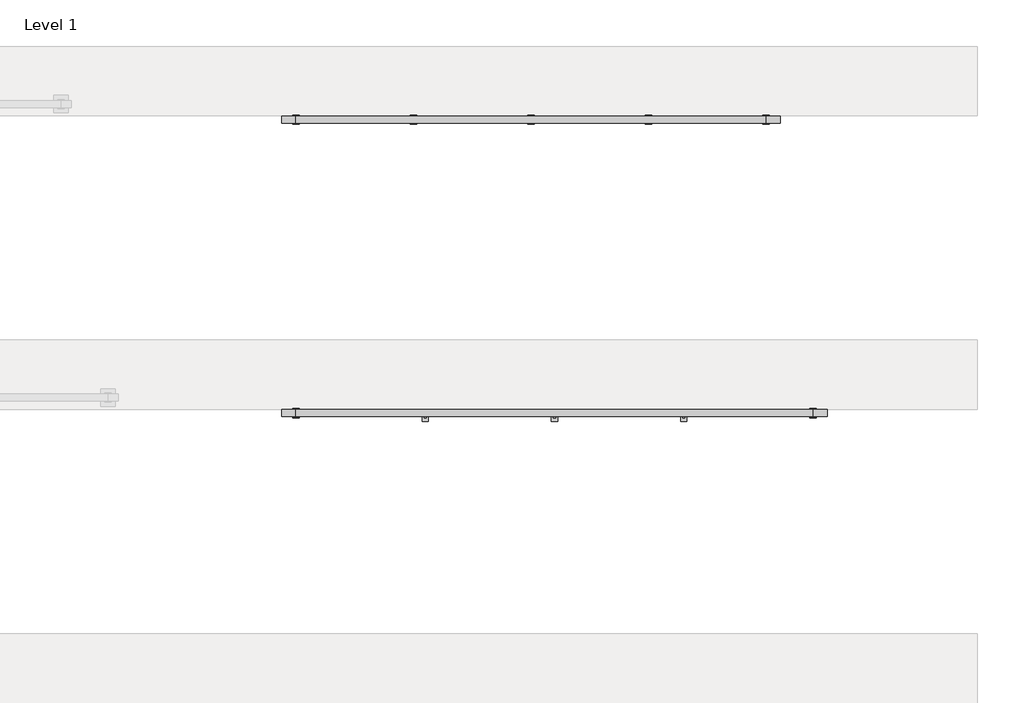
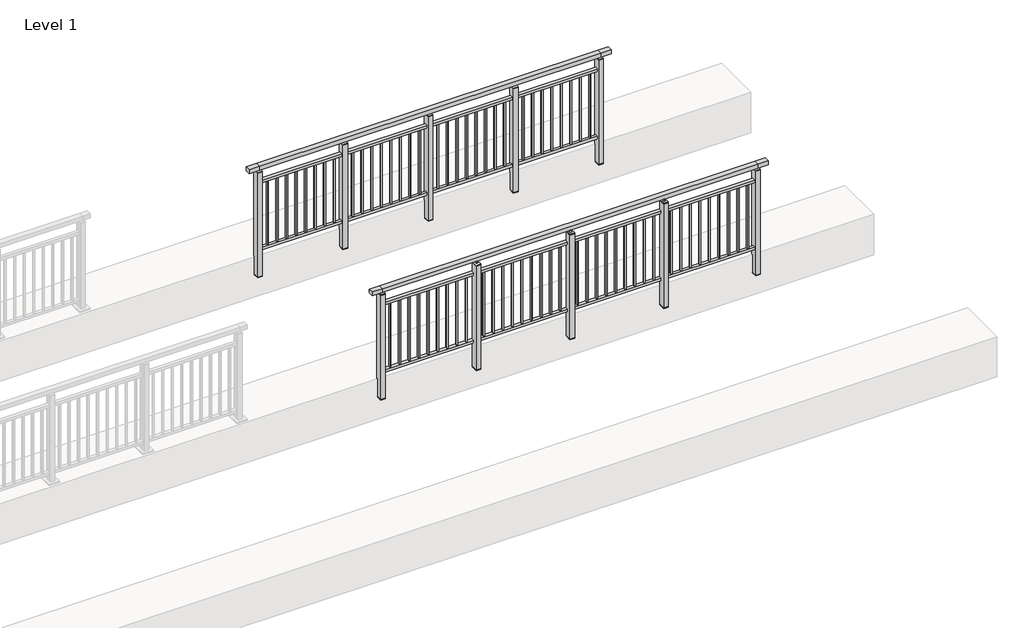
# One storey, part 7 of 38: 2 railings.
"""IFC4 building model written with IfcOpenShell, lengths in millimetres."""

from ifc_helpers import new_model, si_unit, frame, origin, place, context, project, spatial, polyline, outline, extrude, faceted_brep, element, save

model = new_model("IFC4")

# Units and contexts
model_context = context("Model", 3, world=origin())
ifc_project = project(units=[si_unit("LENGTHUNIT", "METRE", prefix="MILLI")], contexts=[model_context])

# Site, building, storey
site = spatial("IfcSite", under=ifc_project)
building = spatial("IfcBuilding", under=site)
storey = spatial("IfcBuildingStorey", under=building, Name="Level 1", Elevation=0.0)

# Railings
placement = place(None, origin())
element("IfcRailing", 1, at=placement, inside=storey, context=model_context, shape_type="SolidModel", body=[
    faceted_brep([(12000.0, 4897.6846828, 1102.5), (12000.0, 4897.6846828, 1150.0), (16400.0, 4897.6846828, 1150.0), (16400.0, 4897.6846828, 1102.5), (12000.0, 4837.6846828, 1102.5), (16400.0, 4837.6846828, 1102.5), (12000.0, 4837.6846828, 1150.0), (16400.0, 4837.6846828, 1150.0), (11877.0, 4897.6846828, 1150.0), (11877.0, 4897.6846828, 1102.5), (11877.0, 4837.6846828, 1102.5), (11877.0, 4837.6846828, 1150.0), (16523.0, 4897.6846828, 1150.0), (16523.0, 4837.6846828, 1150.0), (16523.0, 4837.6846828, 1102.5), (16523.0, 4897.6846828, 1102.5)], [[[0, 1, 2, 3]], [[4, 0, 3, 5]], [[6, 4, 5, 7]], [[1, 6, 7, 2]], [[8, 9, 10, 11]], [[9, 8, 1, 0]], [[10, 9, 0, 4]], [[11, 10, 4, 6]], [[8, 11, 6, 1]], [[12, 13, 14, 15]], [[3, 2, 12, 15]], [[5, 3, 15, 14]], [[7, 5, 14, 13]], [[2, 7, 13, 12]]]),
    extrude(outline(polyline([(12000.0, 4849.6846828), (12000.0, 4885.6846828), (16400.0, 4885.6846828), (16400.0, 4849.6846828), (12000.0, 4849.6846828)])), frame((0.0, 0.0, 928.0), z_axis=(0.0, 0.0, 1.0), x_axis=(1.0, 0.0, 0.0)), (0.0, 0.0, 1.0), 32.0),
    extrude(outline(polyline([(12000.0, 4849.6846828), (12000.0, 4885.6846828), (16400.0, 4885.6846828), (16400.0, 4849.6846828), (12000.0, 4849.6846828)])), frame((0.0, 0.0, 93.0), z_axis=(0.0, 0.0, 1.0), x_axis=(1.0, 0.0, 0.0)), (0.0, 0.0, 1.0), 32.0),
    extrude(outline(polyline([(16306.5, 4859.1846828), (16289.5, 4859.1846828), (16289.5, 4876.1846828), (16306.5, 4876.1846828), (16306.5, 4859.1846828)])), frame((0.0, 0.0, 125.0), z_axis=(0.0, 0.0, 1.0), x_axis=(1.0, 0.0, 0.0)), (0.0, 0.0, 1.0), 803.0),
    extrude(outline(polyline([(16194.5, 4859.1846828), (16177.5, 4859.1846828), (16177.5, 4876.1846828), (16194.5, 4876.1846828), (16194.5, 4859.1846828)])), frame((0.0, 0.0, 125.0), z_axis=(0.0, 0.0, 1.0), x_axis=(1.0, 0.0, 0.0)), (0.0, 0.0, 1.0), 803.0),
    extrude(outline(polyline([(16082.5, 4859.1846828), (16065.5, 4859.1846828), (16065.5, 4876.1846828), (16082.5, 4876.1846828), (16082.5, 4859.1846828)])), frame((0.0, 0.0, 125.0), z_axis=(0.0, 0.0, 1.0), x_axis=(1.0, 0.0, 0.0)), (0.0, 0.0, 1.0), 803.0),
    extrude(outline(polyline([(15970.5, 4859.1846828), (15953.5, 4859.1846828), (15953.5, 4876.1846828), (15970.5, 4876.1846828), (15970.5, 4859.1846828)])), frame((0.0, 0.0, 125.0), z_axis=(0.0, 0.0, 1.0), x_axis=(1.0, 0.0, 0.0)), (0.0, 0.0, 1.0), 803.0),
    extrude(outline(polyline([(15858.5, 4859.1846828), (15841.5, 4859.1846828), (15841.5, 4876.1846828), (15858.5, 4876.1846828), (15858.5, 4859.1846828)])), frame((0.0, 0.0, 125.0), z_axis=(0.0, 0.0, 1.0), x_axis=(1.0, 0.0, 0.0)), (0.0, 0.0, 1.0), 803.0),
    extrude(outline(polyline([(15746.5, 4859.1846828), (15729.5, 4859.1846828), (15729.5, 4876.1846828), (15746.5, 4876.1846828), (15746.5, 4859.1846828)])), frame((0.0, 0.0, 125.0), z_axis=(0.0, 0.0, 1.0), x_axis=(1.0, 0.0, 0.0)), (0.0, 0.0, 1.0), 803.0),
    extrude(outline(polyline([(15634.5, 4859.1846828), (15617.5, 4859.1846828), (15617.5, 4876.1846828), (15634.5, 4876.1846828), (15634.5, 4859.1846828)])), frame((0.0, 0.0, 125.0), z_axis=(0.0, 0.0, 1.0), x_axis=(1.0, 0.0, 0.0)), (0.0, 0.0, 1.0), 803.0),
    extrude(outline(polyline([(15522.5, 4859.1846828), (15505.5, 4859.1846828), (15505.5, 4876.1846828), (15522.5, 4876.1846828), (15522.5, 4859.1846828)])), frame((0.0, 0.0, 125.0), z_axis=(0.0, 0.0, 1.0), x_axis=(1.0, 0.0, 0.0)), (0.0, 0.0, 1.0), 803.0),
    extrude(outline(polyline([(15410.5, 4859.1846828), (15393.5, 4859.1846828), (15393.5, 4876.1846828), (15410.5, 4876.1846828), (15410.5, 4859.1846828)])), frame((0.0, 0.0, 125.0), z_axis=(0.0, 0.0, 1.0), x_axis=(1.0, 0.0, 0.0)), (0.0, 0.0, 1.0), 803.0),
    extrude(outline(polyline([(15327.0, 4873.6846828), (15327.0, 4795.6846828), (15273.0, 4795.6846828), (15273.0, 4873.6846828), (15327.0, 4873.6846828)])), frame((0.0, 0.0, 1077.0), z_axis=(0.0, 0.0, 1.0), x_axis=(1.0, 0.0, 0.0)), (0.0, 0.0, 1.0), 8.0),
    extrude(outline(polyline([(15327.0, 4873.6846828), (15327.0, 4795.6846828), (15273.0, 4795.6846828), (15273.0, 4873.6846828), (15327.0, 4873.6846828)])), frame((0.0, 0.0, -212.0), z_axis=(0.0, 0.0, 1.0), x_axis=(1.0, 0.0, 0.0)), (0.0, 0.0, 1.0), 1289.0),
    extrude(outline(polyline([(15310.0, 4844.6846828), (15310.0, 4824.6846828), (15290.0, 4824.6846828), (15290.0, 4844.6846828), (15310.0, 4844.6846828)])), frame((0.0, 0.0, 1085.0), z_axis=(0.0, 0.0, 1.0), x_axis=(1.0, 0.0, 0.0)), (0.0, 0.0, 1.0), 20.0),
    extrude(outline(polyline([(15327.0, 4873.6846828), (15327.0, 4795.6846828), (15273.0, 4795.6846828), (15273.0, 4873.6846828), (15327.0, 4873.6846828)])), frame((0.0, 0.0, -220.0), z_axis=(0.0, 0.0, 1.0), x_axis=(1.0, 0.0, 0.0)), (0.0, 0.0, 1.0), 8.0),
    extrude(outline(polyline([(15206.5, 4859.1846828), (15189.5, 4859.1846828), (15189.5, 4876.1846828), (15206.5, 4876.1846828), (15206.5, 4859.1846828)])), frame((0.0, 0.0, 125.0), z_axis=(0.0, 0.0, 1.0), x_axis=(1.0, 0.0, 0.0)), (0.0, 0.0, 1.0), 803.0),
    extrude(outline(polyline([(15094.5, 4859.1846828), (15077.5, 4859.1846828), (15077.5, 4876.1846828), (15094.5, 4876.1846828), (15094.5, 4859.1846828)])), frame((0.0, 0.0, 125.0), z_axis=(0.0, 0.0, 1.0), x_axis=(1.0, 0.0, 0.0)), (0.0, 0.0, 1.0), 803.0),
    extrude(outline(polyline([(14982.5, 4859.1846828), (14965.5, 4859.1846828), (14965.5, 4876.1846828), (14982.5, 4876.1846828), (14982.5, 4859.1846828)])), frame((0.0, 0.0, 125.0), z_axis=(0.0, 0.0, 1.0), x_axis=(1.0, 0.0, 0.0)), (0.0, 0.0, 1.0), 803.0),
    extrude(outline(polyline([(14870.5, 4859.1846828), (14853.5, 4859.1846828), (14853.5, 4876.1846828), (14870.5, 4876.1846828), (14870.5, 4859.1846828)])), frame((0.0, 0.0, 125.0), z_axis=(0.0, 0.0, 1.0), x_axis=(1.0, 0.0, 0.0)), (0.0, 0.0, 1.0), 803.0),
    extrude(outline(polyline([(14758.5, 4859.1846828), (14741.5, 4859.1846828), (14741.5, 4876.1846828), (14758.5, 4876.1846828), (14758.5, 4859.1846828)])), frame((0.0, 0.0, 125.0), z_axis=(0.0, 0.0, 1.0), x_axis=(1.0, 0.0, 0.0)), (0.0, 0.0, 1.0), 803.0),
    extrude(outline(polyline([(14646.5, 4859.1846828), (14629.5, 4859.1846828), (14629.5, 4876.1846828), (14646.5, 4876.1846828), (14646.5, 4859.1846828)])), frame((0.0, 0.0, 125.0), z_axis=(0.0, 0.0, 1.0), x_axis=(1.0, 0.0, 0.0)), (0.0, 0.0, 1.0), 803.0),
    extrude(outline(polyline([(14534.5, 4859.1846828), (14517.5, 4859.1846828), (14517.5, 4876.1846828), (14534.5, 4876.1846828), (14534.5, 4859.1846828)])), frame((0.0, 0.0, 125.0), z_axis=(0.0, 0.0, 1.0), x_axis=(1.0, 0.0, 0.0)), (0.0, 0.0, 1.0), 803.0),
    extrude(outline(polyline([(14422.5, 4859.1846828), (14405.5, 4859.1846828), (14405.5, 4876.1846828), (14422.5, 4876.1846828), (14422.5, 4859.1846828)])), frame((0.0, 0.0, 125.0), z_axis=(0.0, 0.0, 1.0), x_axis=(1.0, 0.0, 0.0)), (0.0, 0.0, 1.0), 803.0),
    extrude(outline(polyline([(14310.5, 4859.1846828), (14293.5, 4859.1846828), (14293.5, 4876.1846828), (14310.5, 4876.1846828), (14310.5, 4859.1846828)])), frame((0.0, 0.0, 125.0), z_axis=(0.0, 0.0, 1.0), x_axis=(1.0, 0.0, 0.0)), (0.0, 0.0, 1.0), 803.0),
    extrude(outline(polyline([(14227.0, 4873.6846828), (14227.0, 4795.6846828), (14173.0, 4795.6846828), (14173.0, 4873.6846828), (14227.0, 4873.6846828)])), frame((0.0, 0.0, 1077.0), z_axis=(0.0, 0.0, 1.0), x_axis=(1.0, 0.0, 0.0)), (0.0, 0.0, 1.0), 8.0),
    extrude(outline(polyline([(14227.0, 4873.6846828), (14227.0, 4795.6846828), (14173.0, 4795.6846828), (14173.0, 4873.6846828), (14227.0, 4873.6846828)])), frame((0.0, 0.0, -212.0), z_axis=(0.0, 0.0, 1.0), x_axis=(1.0, 0.0, 0.0)), (0.0, 0.0, 1.0), 1289.0),
    extrude(outline(polyline([(14210.0, 4844.6846828), (14210.0, 4824.6846828), (14190.0, 4824.6846828), (14190.0, 4844.6846828), (14210.0, 4844.6846828)])), frame((0.0, 0.0, 1085.0), z_axis=(0.0, 0.0, 1.0), x_axis=(1.0, 0.0, 0.0)), (0.0, 0.0, 1.0), 20.0),
    extrude(outline(polyline([(14227.0, 4873.6846828), (14227.0, 4795.6846828), (14173.0, 4795.6846828), (14173.0, 4873.6846828), (14227.0, 4873.6846828)])), frame((0.0, 0.0, -220.0), z_axis=(0.0, 0.0, 1.0), x_axis=(1.0, 0.0, 0.0)), (0.0, 0.0, 1.0), 8.0),
    extrude(outline(polyline([(14106.5, 4859.1846828), (14089.5, 4859.1846828), (14089.5, 4876.1846828), (14106.5, 4876.1846828), (14106.5, 4859.1846828)])), frame((0.0, 0.0, 125.0), z_axis=(0.0, 0.0, 1.0), x_axis=(1.0, 0.0, 0.0)), (0.0, 0.0, 1.0), 803.0),
    extrude(outline(polyline([(13994.5, 4859.1846828), (13977.5, 4859.1846828), (13977.5, 4876.1846828), (13994.5, 4876.1846828), (13994.5, 4859.1846828)])), frame((0.0, 0.0, 125.0), z_axis=(0.0, 0.0, 1.0), x_axis=(1.0, 0.0, 0.0)), (0.0, 0.0, 1.0), 803.0),
    extrude(outline(polyline([(13882.5, 4859.1846828), (13865.5, 4859.1846828), (13865.5, 4876.1846828), (13882.5, 4876.1846828), (13882.5, 4859.1846828)])), frame((0.0, 0.0, 125.0), z_axis=(0.0, 0.0, 1.0), x_axis=(1.0, 0.0, 0.0)), (0.0, 0.0, 1.0), 803.0),
    extrude(outline(polyline([(13770.5, 4859.1846828), (13753.5, 4859.1846828), (13753.5, 4876.1846828), (13770.5, 4876.1846828), (13770.5, 4859.1846828)])), frame((0.0, 0.0, 125.0), z_axis=(0.0, 0.0, 1.0), x_axis=(1.0, 0.0, 0.0)), (0.0, 0.0, 1.0), 803.0),
    extrude(outline(polyline([(13658.5, 4859.1846828), (13641.5, 4859.1846828), (13641.5, 4876.1846828), (13658.5, 4876.1846828), (13658.5, 4859.1846828)])), frame((0.0, 0.0, 125.0), z_axis=(0.0, 0.0, 1.0), x_axis=(1.0, 0.0, 0.0)), (0.0, 0.0, 1.0), 803.0),
    extrude(outline(polyline([(13546.5, 4859.1846828), (13529.5, 4859.1846828), (13529.5, 4876.1846828), (13546.5, 4876.1846828), (13546.5, 4859.1846828)])), frame((0.0, 0.0, 125.0), z_axis=(0.0, 0.0, 1.0), x_axis=(1.0, 0.0, 0.0)), (0.0, 0.0, 1.0), 803.0),
    extrude(outline(polyline([(13434.5, 4859.1846828), (13417.5, 4859.1846828), (13417.5, 4876.1846828), (13434.5, 4876.1846828), (13434.5, 4859.1846828)])), frame((0.0, 0.0, 125.0), z_axis=(0.0, 0.0, 1.0), x_axis=(1.0, 0.0, 0.0)), (0.0, 0.0, 1.0), 803.0),
    extrude(outline(polyline([(13322.5, 4859.1846828), (13305.5, 4859.1846828), (13305.5, 4876.1846828), (13322.5, 4876.1846828), (13322.5, 4859.1846828)])), frame((0.0, 0.0, 125.0), z_axis=(0.0, 0.0, 1.0), x_axis=(1.0, 0.0, 0.0)), (0.0, 0.0, 1.0), 803.0),
    extrude(outline(polyline([(13210.5, 4859.1846828), (13193.5, 4859.1846828), (13193.5, 4876.1846828), (13210.5, 4876.1846828), (13210.5, 4859.1846828)])), frame((0.0, 0.0, 125.0), z_axis=(0.0, 0.0, 1.0), x_axis=(1.0, 0.0, 0.0)), (0.0, 0.0, 1.0), 803.0),
    extrude(outline(polyline([(13127.0, 4873.6846828), (13127.0, 4795.6846828), (13073.0, 4795.6846828), (13073.0, 4873.6846828), (13127.0, 4873.6846828)])), frame((0.0, 0.0, 1077.0), z_axis=(0.0, 0.0, 1.0), x_axis=(1.0, 0.0, 0.0)), (0.0, 0.0, 1.0), 8.0),
    extrude(outline(polyline([(13127.0, 4873.6846828), (13127.0, 4795.6846828), (13073.0, 4795.6846828), (13073.0, 4873.6846828), (13127.0, 4873.6846828)])), frame((0.0, 0.0, -212.0), z_axis=(0.0, 0.0, 1.0), x_axis=(1.0, 0.0, 0.0)), (0.0, 0.0, 1.0), 1289.0),
    extrude(outline(polyline([(13110.0, 4844.6846828), (13110.0, 4824.6846828), (13090.0, 4824.6846828), (13090.0, 4844.6846828), (13110.0, 4844.6846828)])), frame((0.0, 0.0, 1085.0), z_axis=(0.0, 0.0, 1.0), x_axis=(1.0, 0.0, 0.0)), (0.0, 0.0, 1.0), 20.0),
    extrude(outline(polyline([(13127.0, 4873.6846828), (13127.0, 4795.6846828), (13073.0, 4795.6846828), (13073.0, 4873.6846828), (13127.0, 4873.6846828)])), frame((0.0, 0.0, -220.0), z_axis=(0.0, 0.0, 1.0), x_axis=(1.0, 0.0, 0.0)), (0.0, 0.0, 1.0), 8.0),
    extrude(outline(polyline([(13006.5, 4859.1846828), (12989.5, 4859.1846828), (12989.5, 4876.1846828), (13006.5, 4876.1846828), (13006.5, 4859.1846828)])), frame((0.0, 0.0, 125.0), z_axis=(0.0, 0.0, 1.0), x_axis=(1.0, 0.0, 0.0)), (0.0, 0.0, 1.0), 803.0),
    extrude(outline(polyline([(12894.5, 4859.1846828), (12877.5, 4859.1846828), (12877.5, 4876.1846828), (12894.5, 4876.1846828), (12894.5, 4859.1846828)])), frame((0.0, 0.0, 125.0), z_axis=(0.0, 0.0, 1.0), x_axis=(1.0, 0.0, 0.0)), (0.0, 0.0, 1.0), 803.0),
    extrude(outline(polyline([(12782.5, 4859.1846828), (12765.5, 4859.1846828), (12765.5, 4876.1846828), (12782.5, 4876.1846828), (12782.5, 4859.1846828)])), frame((0.0, 0.0, 125.0), z_axis=(0.0, 0.0, 1.0), x_axis=(1.0, 0.0, 0.0)), (0.0, 0.0, 1.0), 803.0),
    extrude(outline(polyline([(12670.5, 4859.1846828), (12653.5, 4859.1846828), (12653.5, 4876.1846828), (12670.5, 4876.1846828), (12670.5, 4859.1846828)])), frame((0.0, 0.0, 125.0), z_axis=(0.0, 0.0, 1.0), x_axis=(1.0, 0.0, 0.0)), (0.0, 0.0, 1.0), 803.0),
    extrude(outline(polyline([(12558.5, 4859.1846828), (12541.5, 4859.1846828), (12541.5, 4876.1846828), (12558.5, 4876.1846828), (12558.5, 4859.1846828)])), frame((0.0, 0.0, 125.0), z_axis=(0.0, 0.0, 1.0), x_axis=(1.0, 0.0, 0.0)), (0.0, 0.0, 1.0), 803.0),
    extrude(outline(polyline([(12446.5, 4859.1846828), (12429.5, 4859.1846828), (12429.5, 4876.1846828), (12446.5, 4876.1846828), (12446.5, 4859.1846828)])), frame((0.0, 0.0, 125.0), z_axis=(0.0, 0.0, 1.0), x_axis=(1.0, 0.0, 0.0)), (0.0, 0.0, 1.0), 803.0),
    extrude(outline(polyline([(12334.5, 4859.1846828), (12317.5, 4859.1846828), (12317.5, 4876.1846828), (12334.5, 4876.1846828), (12334.5, 4859.1846828)])), frame((0.0, 0.0, 125.0), z_axis=(0.0, 0.0, 1.0), x_axis=(1.0, 0.0, 0.0)), (0.0, 0.0, 1.0), 803.0),
    extrude(outline(polyline([(12222.5, 4859.1846828), (12205.5, 4859.1846828), (12205.5, 4876.1846828), (12222.5, 4876.1846828), (12222.5, 4859.1846828)])), frame((0.0, 0.0, 125.0), z_axis=(0.0, 0.0, 1.0), x_axis=(1.0, 0.0, 0.0)), (0.0, 0.0, 1.0), 803.0),
    extrude(outline(polyline([(12110.5, 4859.1846828), (12093.5, 4859.1846828), (12093.5, 4876.1846828), (12110.5, 4876.1846828), (12110.5, 4859.1846828)])), frame((0.0, 0.0, 125.0), z_axis=(0.0, 0.0, 1.0), x_axis=(1.0, 0.0, 0.0)), (0.0, 0.0, 1.0), 803.0),
    extrude(outline(polyline([(16427.0, 4906.6846828), (16427.0, 4828.6846828), (16373.0, 4828.6846828), (16373.0, 4906.6846828), (16427.0, 4906.6846828)])), frame((0.0, 0.0, 1077.0), z_axis=(0.0, 0.0, 1.0), x_axis=(1.0, 0.0, 0.0)), (0.0, 0.0, 1.0), 8.0),
    extrude(outline(polyline([(16427.0, 4906.6846828), (16427.0, 4828.6846828), (16373.0, 4828.6846828), (16373.0, 4906.6846828), (16427.0, 4906.6846828)])), frame((0.0, 0.0, -212.0), z_axis=(0.0, 0.0, 1.0), x_axis=(1.0, 0.0, 0.0)), (0.0, 0.0, 1.0), 1289.0),
    extrude(outline(polyline([(16410.0, 4877.6846828), (16410.0, 4857.6846828), (16390.0, 4857.6846828), (16390.0, 4877.6846828), (16410.0, 4877.6846828)])), frame((0.0, 0.0, 1085.0), z_axis=(0.0, 0.0, 1.0), x_axis=(1.0, 0.0, 0.0)), (0.0, 0.0, 1.0), 20.0),
    extrude(outline(polyline([(16427.0, 4906.6846828), (16427.0, 4828.6846828), (16373.0, 4828.6846828), (16373.0, 4906.6846828), (16427.0, 4906.6846828)])), frame((0.0, 0.0, -220.0), z_axis=(0.0, 0.0, 1.0), x_axis=(1.0, 0.0, 0.0)), (0.0, 0.0, 1.0), 8.0),
    extrude(outline(polyline([(12027.0, 4906.6846828), (12027.0, 4828.6846828), (11973.0, 4828.6846828), (11973.0, 4906.6846828), (12027.0, 4906.6846828)])), frame((0.0, 0.0, 1077.0), z_axis=(0.0, 0.0, 1.0), x_axis=(1.0, 0.0, 0.0)), (0.0, 0.0, 1.0), 8.0),
    extrude(outline(polyline([(12027.0, 4906.6846828), (12027.0, 4828.6846828), (11973.0, 4828.6846828), (11973.0, 4906.6846828), (12027.0, 4906.6846828)])), frame((0.0, 0.0, -212.0), z_axis=(0.0, 0.0, 1.0), x_axis=(1.0, 0.0, 0.0)), (0.0, 0.0, 1.0), 1289.0),
    extrude(outline(polyline([(12010.0, 4877.6846828), (12010.0, 4857.6846828), (11990.0, 4857.6846828), (11990.0, 4877.6846828), (12010.0, 4877.6846828)])), frame((0.0, 0.0, 1085.0), z_axis=(0.0, 0.0, 1.0), x_axis=(1.0, 0.0, 0.0)), (0.0, 0.0, 1.0), 20.0),
    extrude(outline(polyline([(12027.0, 4906.6846828), (12027.0, 4828.6846828), (11973.0, 4828.6846828), (11973.0, 4906.6846828), (12027.0, 4906.6846828)])), frame((0.0, 0.0, -220.0), z_axis=(0.0, 0.0, 1.0), x_axis=(1.0, 0.0, 0.0)), (0.0, 0.0, 1.0), 8.0),
])
element("IfcRailing", 2, at=placement, inside=storey, context=model_context, shape_type="SolidModel", body=[
    faceted_brep([(12000.0, 7397.6846828, 1102.5), (12000.0, 7397.6846828, 1150.0), (16000.0, 7397.6846828, 1150.0), (16000.0, 7397.6846828, 1102.5), (12000.0, 7337.6846828, 1102.5), (16000.0, 7337.6846828, 1102.5), (12000.0, 7337.6846828, 1150.0), (16000.0, 7337.6846828, 1150.0), (11877.0, 7397.6846828, 1150.0), (11877.0, 7397.6846828, 1102.5), (11877.0, 7337.6846828, 1102.5), (11877.0, 7337.6846828, 1150.0), (16123.0, 7397.6846828, 1150.0), (16123.0, 7337.6846828, 1150.0), (16123.0, 7337.6846828, 1102.5), (16123.0, 7397.6846828, 1102.5)], [[[0, 1, 2, 3]], [[4, 0, 3, 5]], [[6, 4, 5, 7]], [[1, 6, 7, 2]], [[8, 9, 10, 11]], [[9, 8, 1, 0]], [[10, 9, 0, 4]], [[11, 10, 4, 6]], [[8, 11, 6, 1]], [[12, 13, 14, 15]], [[3, 2, 12, 15]], [[5, 3, 15, 14]], [[7, 5, 14, 13]], [[2, 7, 13, 12]]]),
    extrude(outline(polyline([(12000.0, 7349.6846828), (12000.0, 7385.6846828), (16000.0, 7385.6846828), (16000.0, 7349.6846828), (12000.0, 7349.6846828)])), frame((0.0, 0.0, 928.0), z_axis=(0.0, 0.0, 1.0), x_axis=(1.0, 0.0, 0.0)), (0.0, 0.0, 1.0), 32.0),
    extrude(outline(polyline([(12000.0, 7349.6846828), (12000.0, 7385.6846828), (16000.0, 7385.6846828), (16000.0, 7349.6846828), (12000.0, 7349.6846828)])), frame((0.0, 0.0, 93.0), z_axis=(0.0, 0.0, 1.0), x_axis=(1.0, 0.0, 0.0)), (0.0, 0.0, 1.0), 32.0),
    extrude(outline(polyline([(15900.5, 7359.1846828), (15883.5, 7359.1846828), (15883.5, 7376.1846828), (15900.5, 7376.1846828), (15900.5, 7359.1846828)])), frame((0.0, 0.0, 125.0), z_axis=(0.0, 0.0, 1.0), x_axis=(1.0, 0.0, 0.0)), (0.0, 0.0, 1.0), 803.0),
    extrude(outline(polyline([(15788.5, 7359.1846828), (15771.5, 7359.1846828), (15771.5, 7376.1846828), (15788.5, 7376.1846828), (15788.5, 7359.1846828)])), frame((0.0, 0.0, 125.0), z_axis=(0.0, 0.0, 1.0), x_axis=(1.0, 0.0, 0.0)), (0.0, 0.0, 1.0), 803.0),
    extrude(outline(polyline([(15676.5, 7359.1846828), (15659.5, 7359.1846828), (15659.5, 7376.1846828), (15676.5, 7376.1846828), (15676.5, 7359.1846828)])), frame((0.0, 0.0, 125.0), z_axis=(0.0, 0.0, 1.0), x_axis=(1.0, 0.0, 0.0)), (0.0, 0.0, 1.0), 803.0),
    extrude(outline(polyline([(15564.5, 7359.1846828), (15547.5, 7359.1846828), (15547.5, 7376.1846828), (15564.5, 7376.1846828), (15564.5, 7359.1846828)])), frame((0.0, 0.0, 125.0), z_axis=(0.0, 0.0, 1.0), x_axis=(1.0, 0.0, 0.0)), (0.0, 0.0, 1.0), 803.0),
    extrude(outline(polyline([(15452.5, 7359.1846828), (15435.5, 7359.1846828), (15435.5, 7376.1846828), (15452.5, 7376.1846828), (15452.5, 7359.1846828)])), frame((0.0, 0.0, 125.0), z_axis=(0.0, 0.0, 1.0), x_axis=(1.0, 0.0, 0.0)), (0.0, 0.0, 1.0), 803.0),
    extrude(outline(polyline([(15340.5, 7359.1846828), (15323.5, 7359.1846828), (15323.5, 7376.1846828), (15340.5, 7376.1846828), (15340.5, 7359.1846828)])), frame((0.0, 0.0, 125.0), z_axis=(0.0, 0.0, 1.0), x_axis=(1.0, 0.0, 0.0)), (0.0, 0.0, 1.0), 803.0),
    extrude(outline(polyline([(15228.5, 7359.1846828), (15211.5, 7359.1846828), (15211.5, 7376.1846828), (15228.5, 7376.1846828), (15228.5, 7359.1846828)])), frame((0.0, 0.0, 125.0), z_axis=(0.0, 0.0, 1.0), x_axis=(1.0, 0.0, 0.0)), (0.0, 0.0, 1.0), 803.0),
    extrude(outline(polyline([(15116.5, 7359.1846828), (15099.5, 7359.1846828), (15099.5, 7376.1846828), (15116.5, 7376.1846828), (15116.5, 7359.1846828)])), frame((0.0, 0.0, 125.0), z_axis=(0.0, 0.0, 1.0), x_axis=(1.0, 0.0, 0.0)), (0.0, 0.0, 1.0), 803.0),
    extrude(outline(polyline([(15027.0, 7406.6846828), (15027.0, 7328.6846828), (14973.0, 7328.6846828), (14973.0, 7406.6846828), (15027.0, 7406.6846828)])), frame((0.0, 0.0, 1077.0), z_axis=(0.0, 0.0, 1.0), x_axis=(1.0, 0.0, 0.0)), (0.0, 0.0, 1.0), 8.0),
    extrude(outline(polyline([(15027.0, 7406.6846828), (15027.0, 7328.6846828), (14973.0, 7328.6846828), (14973.0, 7406.6846828), (15027.0, 7406.6846828)])), frame((0.0, 0.0, -212.0), z_axis=(0.0, 0.0, 1.0), x_axis=(1.0, 0.0, 0.0)), (0.0, 0.0, 1.0), 1289.0),
    extrude(outline(polyline([(15010.0, 7377.6846828), (15010.0, 7357.6846828), (14990.0, 7357.6846828), (14990.0, 7377.6846828), (15010.0, 7377.6846828)])), frame((0.0, 0.0, 1085.0), z_axis=(0.0, 0.0, 1.0), x_axis=(1.0, 0.0, 0.0)), (0.0, 0.0, 1.0), 20.0),
    extrude(outline(polyline([(15027.0, 7406.6846828), (15027.0, 7328.6846828), (14973.0, 7328.6846828), (14973.0, 7406.6846828), (15027.0, 7406.6846828)])), frame((0.0, 0.0, -220.0), z_axis=(0.0, 0.0, 1.0), x_axis=(1.0, 0.0, 0.0)), (0.0, 0.0, 1.0), 8.0),
    extrude(outline(polyline([(14900.5, 7359.1846828), (14883.5, 7359.1846828), (14883.5, 7376.1846828), (14900.5, 7376.1846828), (14900.5, 7359.1846828)])), frame((0.0, 0.0, 125.0), z_axis=(0.0, 0.0, 1.0), x_axis=(1.0, 0.0, 0.0)), (0.0, 0.0, 1.0), 803.0),
    extrude(outline(polyline([(14788.5, 7359.1846828), (14771.5, 7359.1846828), (14771.5, 7376.1846828), (14788.5, 7376.1846828), (14788.5, 7359.1846828)])), frame((0.0, 0.0, 125.0), z_axis=(0.0, 0.0, 1.0), x_axis=(1.0, 0.0, 0.0)), (0.0, 0.0, 1.0), 803.0),
    extrude(outline(polyline([(14676.5, 7359.1846828), (14659.5, 7359.1846828), (14659.5, 7376.1846828), (14676.5, 7376.1846828), (14676.5, 7359.1846828)])), frame((0.0, 0.0, 125.0), z_axis=(0.0, 0.0, 1.0), x_axis=(1.0, 0.0, 0.0)), (0.0, 0.0, 1.0), 803.0),
    extrude(outline(polyline([(14564.5, 7359.1846828), (14547.5, 7359.1846828), (14547.5, 7376.1846828), (14564.5, 7376.1846828), (14564.5, 7359.1846828)])), frame((0.0, 0.0, 125.0), z_axis=(0.0, 0.0, 1.0), x_axis=(1.0, 0.0, 0.0)), (0.0, 0.0, 1.0), 803.0),
    extrude(outline(polyline([(14452.5, 7359.1846828), (14435.5, 7359.1846828), (14435.5, 7376.1846828), (14452.5, 7376.1846828), (14452.5, 7359.1846828)])), frame((0.0, 0.0, 125.0), z_axis=(0.0, 0.0, 1.0), x_axis=(1.0, 0.0, 0.0)), (0.0, 0.0, 1.0), 803.0),
    extrude(outline(polyline([(14340.5, 7359.1846828), (14323.5, 7359.1846828), (14323.5, 7376.1846828), (14340.5, 7376.1846828), (14340.5, 7359.1846828)])), frame((0.0, 0.0, 125.0), z_axis=(0.0, 0.0, 1.0), x_axis=(1.0, 0.0, 0.0)), (0.0, 0.0, 1.0), 803.0),
    extrude(outline(polyline([(14228.5, 7359.1846828), (14211.5, 7359.1846828), (14211.5, 7376.1846828), (14228.5, 7376.1846828), (14228.5, 7359.1846828)])), frame((0.0, 0.0, 125.0), z_axis=(0.0, 0.0, 1.0), x_axis=(1.0, 0.0, 0.0)), (0.0, 0.0, 1.0), 803.0),
    extrude(outline(polyline([(14116.5, 7359.1846828), (14099.5, 7359.1846828), (14099.5, 7376.1846828), (14116.5, 7376.1846828), (14116.5, 7359.1846828)])), frame((0.0, 0.0, 125.0), z_axis=(0.0, 0.0, 1.0), x_axis=(1.0, 0.0, 0.0)), (0.0, 0.0, 1.0), 803.0),
    extrude(outline(polyline([(14027.0, 7406.6846828), (14027.0, 7328.6846828), (13973.0, 7328.6846828), (13973.0, 7406.6846828), (14027.0, 7406.6846828)])), frame((0.0, 0.0, 1077.0), z_axis=(0.0, 0.0, 1.0), x_axis=(1.0, 0.0, 0.0)), (0.0, 0.0, 1.0), 8.0),
    extrude(outline(polyline([(14027.0, 7406.6846828), (14027.0, 7328.6846828), (13973.0, 7328.6846828), (13973.0, 7406.6846828), (14027.0, 7406.6846828)])), frame((0.0, 0.0, -212.0), z_axis=(0.0, 0.0, 1.0), x_axis=(1.0, 0.0, 0.0)), (0.0, 0.0, 1.0), 1289.0),
    extrude(outline(polyline([(14010.0, 7377.6846828), (14010.0, 7357.6846828), (13990.0, 7357.6846828), (13990.0, 7377.6846828), (14010.0, 7377.6846828)])), frame((0.0, 0.0, 1085.0), z_axis=(0.0, 0.0, 1.0), x_axis=(1.0, 0.0, 0.0)), (0.0, 0.0, 1.0), 20.0),
    extrude(outline(polyline([(14027.0, 7406.6846828), (14027.0, 7328.6846828), (13973.0, 7328.6846828), (13973.0, 7406.6846828), (14027.0, 7406.6846828)])), frame((0.0, 0.0, -220.0), z_axis=(0.0, 0.0, 1.0), x_axis=(1.0, 0.0, 0.0)), (0.0, 0.0, 1.0), 8.0),
    extrude(outline(polyline([(13900.5, 7359.1846828), (13883.5, 7359.1846828), (13883.5, 7376.1846828), (13900.5, 7376.1846828), (13900.5, 7359.1846828)])), frame((0.0, 0.0, 125.0), z_axis=(0.0, 0.0, 1.0), x_axis=(1.0, 0.0, 0.0)), (0.0, 0.0, 1.0), 803.0),
    extrude(outline(polyline([(13788.5, 7359.1846828), (13771.5, 7359.1846828), (13771.5, 7376.1846828), (13788.5, 7376.1846828), (13788.5, 7359.1846828)])), frame((0.0, 0.0, 125.0), z_axis=(0.0, 0.0, 1.0), x_axis=(1.0, 0.0, 0.0)), (0.0, 0.0, 1.0), 803.0),
    extrude(outline(polyline([(13676.5, 7359.1846828), (13659.5, 7359.1846828), (13659.5, 7376.1846828), (13676.5, 7376.1846828), (13676.5, 7359.1846828)])), frame((0.0, 0.0, 125.0), z_axis=(0.0, 0.0, 1.0), x_axis=(1.0, 0.0, 0.0)), (0.0, 0.0, 1.0), 803.0),
    extrude(outline(polyline([(13564.5, 7359.1846828), (13547.5, 7359.1846828), (13547.5, 7376.1846828), (13564.5, 7376.1846828), (13564.5, 7359.1846828)])), frame((0.0, 0.0, 125.0), z_axis=(0.0, 0.0, 1.0), x_axis=(1.0, 0.0, 0.0)), (0.0, 0.0, 1.0), 803.0),
    extrude(outline(polyline([(13452.5, 7359.1846828), (13435.5, 7359.1846828), (13435.5, 7376.1846828), (13452.5, 7376.1846828), (13452.5, 7359.1846828)])), frame((0.0, 0.0, 125.0), z_axis=(0.0, 0.0, 1.0), x_axis=(1.0, 0.0, 0.0)), (0.0, 0.0, 1.0), 803.0),
    extrude(outline(polyline([(13340.5, 7359.1846828), (13323.5, 7359.1846828), (13323.5, 7376.1846828), (13340.5, 7376.1846828), (13340.5, 7359.1846828)])), frame((0.0, 0.0, 125.0), z_axis=(0.0, 0.0, 1.0), x_axis=(1.0, 0.0, 0.0)), (0.0, 0.0, 1.0), 803.0),
    extrude(outline(polyline([(13228.5, 7359.1846828), (13211.5, 7359.1846828), (13211.5, 7376.1846828), (13228.5, 7376.1846828), (13228.5, 7359.1846828)])), frame((0.0, 0.0, 125.0), z_axis=(0.0, 0.0, 1.0), x_axis=(1.0, 0.0, 0.0)), (0.0, 0.0, 1.0), 803.0),
    extrude(outline(polyline([(13116.5, 7359.1846828), (13099.5, 7359.1846828), (13099.5, 7376.1846828), (13116.5, 7376.1846828), (13116.5, 7359.1846828)])), frame((0.0, 0.0, 125.0), z_axis=(0.0, 0.0, 1.0), x_axis=(1.0, 0.0, 0.0)), (0.0, 0.0, 1.0), 803.0),
    extrude(outline(polyline([(13027.0, 7406.6846828), (13027.0, 7328.6846828), (12973.0, 7328.6846828), (12973.0, 7406.6846828), (13027.0, 7406.6846828)])), frame((0.0, 0.0, 1077.0), z_axis=(0.0, 0.0, 1.0), x_axis=(1.0, 0.0, 0.0)), (0.0, 0.0, 1.0), 8.0),
    extrude(outline(polyline([(13027.0, 7406.6846828), (13027.0, 7328.6846828), (12973.0, 7328.6846828), (12973.0, 7406.6846828), (13027.0, 7406.6846828)])), frame((0.0, 0.0, -212.0), z_axis=(0.0, 0.0, 1.0), x_axis=(1.0, 0.0, 0.0)), (0.0, 0.0, 1.0), 1289.0),
    extrude(outline(polyline([(13010.0, 7377.6846828), (13010.0, 7357.6846828), (12990.0, 7357.6846828), (12990.0, 7377.6846828), (13010.0, 7377.6846828)])), frame((0.0, 0.0, 1085.0), z_axis=(0.0, 0.0, 1.0), x_axis=(1.0, 0.0, 0.0)), (0.0, 0.0, 1.0), 20.0),
    extrude(outline(polyline([(13027.0, 7406.6846828), (13027.0, 7328.6846828), (12973.0, 7328.6846828), (12973.0, 7406.6846828), (13027.0, 7406.6846828)])), frame((0.0, 0.0, -220.0), z_axis=(0.0, 0.0, 1.0), x_axis=(1.0, 0.0, 0.0)), (0.0, 0.0, 1.0), 8.0),
    extrude(outline(polyline([(12900.5, 7359.1846828), (12883.5, 7359.1846828), (12883.5, 7376.1846828), (12900.5, 7376.1846828), (12900.5, 7359.1846828)])), frame((0.0, 0.0, 125.0), z_axis=(0.0, 0.0, 1.0), x_axis=(1.0, 0.0, 0.0)), (0.0, 0.0, 1.0), 803.0),
    extrude(outline(polyline([(12788.5, 7359.1846828), (12771.5, 7359.1846828), (12771.5, 7376.1846828), (12788.5, 7376.1846828), (12788.5, 7359.1846828)])), frame((0.0, 0.0, 125.0), z_axis=(0.0, 0.0, 1.0), x_axis=(1.0, 0.0, 0.0)), (0.0, 0.0, 1.0), 803.0),
    extrude(outline(polyline([(12676.5, 7359.1846828), (12659.5, 7359.1846828), (12659.5, 7376.1846828), (12676.5, 7376.1846828), (12676.5, 7359.1846828)])), frame((0.0, 0.0, 125.0), z_axis=(0.0, 0.0, 1.0), x_axis=(1.0, 0.0, 0.0)), (0.0, 0.0, 1.0), 803.0),
    extrude(outline(polyline([(12564.5, 7359.1846828), (12547.5, 7359.1846828), (12547.5, 7376.1846828), (12564.5, 7376.1846828), (12564.5, 7359.1846828)])), frame((0.0, 0.0, 125.0), z_axis=(0.0, 0.0, 1.0), x_axis=(1.0, 0.0, 0.0)), (0.0, 0.0, 1.0), 803.0),
    extrude(outline(polyline([(12452.5, 7359.1846828), (12435.5, 7359.1846828), (12435.5, 7376.1846828), (12452.5, 7376.1846828), (12452.5, 7359.1846828)])), frame((0.0, 0.0, 125.0), z_axis=(0.0, 0.0, 1.0), x_axis=(1.0, 0.0, 0.0)), (0.0, 0.0, 1.0), 803.0),
    extrude(outline(polyline([(12340.5, 7359.1846828), (12323.5, 7359.1846828), (12323.5, 7376.1846828), (12340.5, 7376.1846828), (12340.5, 7359.1846828)])), frame((0.0, 0.0, 125.0), z_axis=(0.0, 0.0, 1.0), x_axis=(1.0, 0.0, 0.0)), (0.0, 0.0, 1.0), 803.0),
    extrude(outline(polyline([(12228.5, 7359.1846828), (12211.5, 7359.1846828), (12211.5, 7376.1846828), (12228.5, 7376.1846828), (12228.5, 7359.1846828)])), frame((0.0, 0.0, 125.0), z_axis=(0.0, 0.0, 1.0), x_axis=(1.0, 0.0, 0.0)), (0.0, 0.0, 1.0), 803.0),
    extrude(outline(polyline([(12116.5, 7359.1846828), (12099.5, 7359.1846828), (12099.5, 7376.1846828), (12116.5, 7376.1846828), (12116.5, 7359.1846828)])), frame((0.0, 0.0, 125.0), z_axis=(0.0, 0.0, 1.0), x_axis=(1.0, 0.0, 0.0)), (0.0, 0.0, 1.0), 803.0),
    extrude(outline(polyline([(16027.0, 7406.6846828), (16027.0, 7328.6846828), (15973.0, 7328.6846828), (15973.0, 7406.6846828), (16027.0, 7406.6846828)])), frame((0.0, 0.0, 1077.0), z_axis=(0.0, 0.0, 1.0), x_axis=(1.0, 0.0, 0.0)), (0.0, 0.0, 1.0), 8.0),
    extrude(outline(polyline([(16027.0, 7406.6846828), (16027.0, 7328.6846828), (15973.0, 7328.6846828), (15973.0, 7406.6846828), (16027.0, 7406.6846828)])), frame((0.0, 0.0, -212.0), z_axis=(0.0, 0.0, 1.0), x_axis=(1.0, 0.0, 0.0)), (0.0, 0.0, 1.0), 1289.0),
    extrude(outline(polyline([(16010.0, 7377.6846828), (16010.0, 7357.6846828), (15990.0, 7357.6846828), (15990.0, 7377.6846828), (16010.0, 7377.6846828)])), frame((0.0, 0.0, 1085.0), z_axis=(0.0, 0.0, 1.0), x_axis=(1.0, 0.0, 0.0)), (0.0, 0.0, 1.0), 20.0),
    extrude(outline(polyline([(16027.0, 7406.6846828), (16027.0, 7328.6846828), (15973.0, 7328.6846828), (15973.0, 7406.6846828), (16027.0, 7406.6846828)])), frame((0.0, 0.0, -220.0), z_axis=(0.0, 0.0, 1.0), x_axis=(1.0, 0.0, 0.0)), (0.0, 0.0, 1.0), 8.0),
    extrude(outline(polyline([(12027.0, 7406.6846828), (12027.0, 7328.6846828), (11973.0, 7328.6846828), (11973.0, 7406.6846828), (12027.0, 7406.6846828)])), frame((0.0, 0.0, 1077.0), z_axis=(0.0, 0.0, 1.0), x_axis=(1.0, 0.0, 0.0)), (0.0, 0.0, 1.0), 8.0),
    extrude(outline(polyline([(12027.0, 7406.6846828), (12027.0, 7328.6846828), (11973.0, 7328.6846828), (11973.0, 7406.6846828), (12027.0, 7406.6846828)])), frame((0.0, 0.0, -212.0), z_axis=(0.0, 0.0, 1.0), x_axis=(1.0, 0.0, 0.0)), (0.0, 0.0, 1.0), 1289.0),
    extrude(outline(polyline([(12010.0, 7377.6846828), (12010.0, 7357.6846828), (11990.0, 7357.6846828), (11990.0, 7377.6846828), (12010.0, 7377.6846828)])), frame((0.0, 0.0, 1085.0), z_axis=(0.0, 0.0, 1.0), x_axis=(1.0, 0.0, 0.0)), (0.0, 0.0, 1.0), 20.0),
    extrude(outline(polyline([(12027.0, 7406.6846828), (12027.0, 7328.6846828), (11973.0, 7328.6846828), (11973.0, 7406.6846828), (12027.0, 7406.6846828)])), frame((0.0, 0.0, -220.0), z_axis=(0.0, 0.0, 1.0), x_axis=(1.0, 0.0, 0.0)), (0.0, 0.0, 1.0), 8.0),
])

save(model, "model.ifc")
